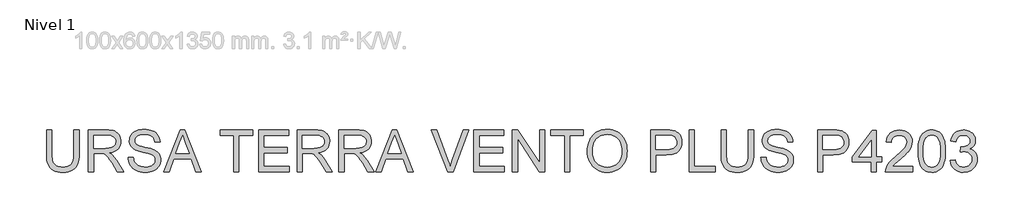
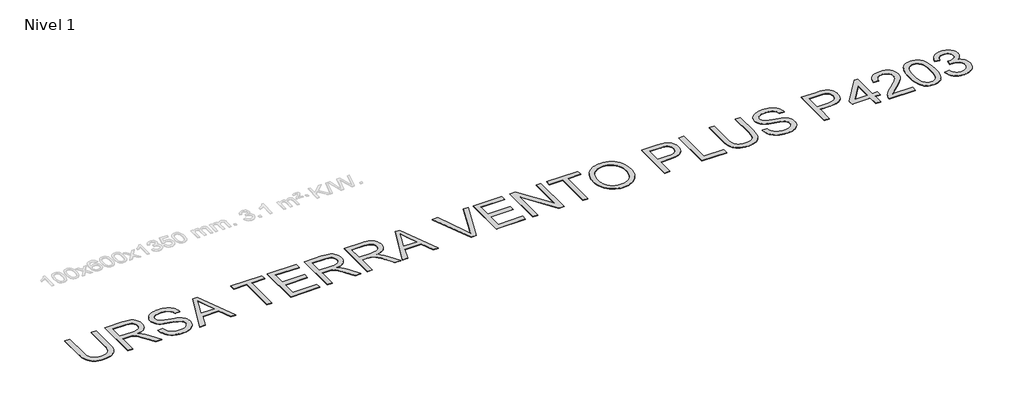
# One storey, part 2 of 9: 1 proxy.
"""IFC4 building model written with IfcOpenShell, lengths in millimetres."""

from ifc_helpers import new_model, si_unit, origin, origin_with_axes, place, context, project, spatial, polyline, outline, extrude, element, save

model = new_model("IFC4")

# Units and contexts
model_context = context("Model", 3, world=origin())
ifc_project = project(units=[si_unit("LENGTHUNIT", "METRE", prefix="MILLI")], contexts=[model_context])

# Site, building, storey
site = spatial("IfcSite", under=ifc_project)
building = spatial("IfcBuilding", under=site)
storey = spatial("IfcBuildingStorey", under=building, Name="Nivel 1", Elevation=0.0)

# Proxy
placement = place(None, origin())
element("IfcBuildingElementProxy", 1, Name="Texto de modelo 2", ObjectType="Texto de modelo 2", at=placement, inside=storey, context=model_context, shape_type="SweptSolid", body=[
    extrude(outline(polyline([(-13163.4352259, -11383.8200288), (-13037.8648382, -11383.8200288), (-13037.8648382, -11963.3567985), (-13039.9954881, -12035.1167802), (-13046.3874377, -12099.0745979), (-13057.0406872, -12155.2302516), (-13071.9552364, -12203.5837414), (-13092.4186724, -12245.9668129), (-13119.7185821, -12284.211212), (-13153.8549656, -12318.3169386), (-13194.8278228, -12348.2839928), (-13242.683139, -12372.694496), (-13297.4668995, -12390.1305698), (-13359.1791041, -12400.592214), (-13427.8197531, -12404.0794288), (-13494.766612, -12401.0444023), (-13555.3215212, -12391.9393229), (-13609.4844808, -12376.7641906), (-13657.2554907, -12355.5190054), (-13698.6422152, -12328.5179998), (-13733.6523184, -12296.0754063), (-13762.2858004, -12258.191225), (-13784.5426611, -12214.8654559), (-13801.2276424, -12164.6112425), (-13813.1454862, -12105.9417285), (-13820.2961925, -12038.8569138), (-13822.6797612, -11963.3567985), (-13822.6797612, -11383.8200288), (-13697.1093735, -11383.8200288), (-13697.1093735, -11958.9422146), (-13695.5612035, -12019.650408), (-13690.9166933, -12071.7900166), (-13683.175843, -12115.3610404), (-13672.3386525, -12150.3634794), (-13657.7306716, -12179.3265223), (-13638.67745, -12204.7793579), (-13615.1789875, -12226.721986), (-13587.2352843, -12245.1544068), (-13555.3828349, -12259.7470593), (-13520.1581339, -12270.1703825), (-13481.5611812, -12276.4243764), (-13439.5919769, -12278.5090411), (-13370.3841766, -12274.385697), (-13311.8756109, -12262.015665), (-13264.06628, -12241.3989448), (-13244.1738275, -12227.9980767), (-13226.9561837, -12212.5355366), (-13212.0684592, -12194.1414368), (-13199.1657647, -12171.9458898), (-13179.3154653, -12116.1504539), (-13167.4052857, -12045.1492288), (-13163.4352259, -11958.9422146), (-13163.4352259, -11383.8200288)])), origin_with_axes(), (0.0, 0.0, 1.0), 10.0),
    extrude(outline(polyline([(-12818.1166597, -12388.3831303), (-12818.1166597, -11383.8200288), (-12385.2421787, -11383.8200288), (-12323.1084426, -11385.5138188), (-12268.8994978, -11390.5951889), (-12222.6153443, -11399.064139), (-12184.255982, -11410.9206691), (-12151.5911266, -11427.0768201), (-12122.3904932, -11448.4446326), (-12096.6540819, -11475.0241068), (-12074.3818928, -11506.8152425), (-12056.4093245, -11542.1089214), (-12043.5717757, -11579.1960251), (-12035.8692465, -11618.0765534), (-12033.3017367, -11658.7505065), (-12037.5553723, -11710.3459564), (-12050.316279, -11757.7107632), (-12071.5844568, -11800.8449272), (-12101.3599058, -11839.7484482), (-12140.0258363, -11873.1797245), (-12187.9654588, -11899.8971544), (-12245.1787733, -11919.9007379), (-12311.6657797, -11933.1904749), (-12270.2790553, -11960.2298016), (-12240.2966726, -11986.9012462), (-12188.854507, -12047.9083438), (-12138.5159873, -12116.1504539), (-11971.0070522, -12388.3831303), (-12116.9335769, -12388.3831303), (-12247.6543126, -12180.161921), (-12299.9548695, -12100.6994101), (-12342.077358, -12042.3288002), (-12377.1794317, -12002.1376922), (-12408.4187444, -11977.213687), (-12438.0025882, -11962.5903777), (-12468.138255, -11953.3013573), (-12540.97889, -11948.8867734), (-12692.5462721, -11948.8867734), (-12692.5462721, -12388.3831303), (-12818.1166597, -12388.3831303)]), holes=[polyline([(-12692.5462721, -11823.3163857), (-12411.4844277, -11823.3163857), (-12330.7649866, -11818.8711449), (-12268.133077, -11805.5354226), (-12242.9484887, -11795.3113688), (-12220.9828679, -11782.4201706), (-12202.2362146, -11766.8618279), (-12186.7085287, -11748.6363407), (-12174.5301018, -11728.6404214), (-12165.8312255, -11707.7707824), (-12160.6118997, -11686.0274236), (-12158.8721244, -11663.4103451), (-12162.1907265, -11631.2973126), (-12172.146533, -11602.1579929), (-12188.7395439, -11575.992386), (-12211.969759, -11552.8004919), (-12242.3736731, -11533.8085839), (-12280.4877806, -11520.2429353), (-12326.3120816, -11512.1035462), (-12379.8465762, -11509.3904165), (-12692.5462721, -11509.3904165), (-12692.5462721, -11823.3163857)])]), origin_with_axes(), (0.0, 0.0, 1.0), 10.0),
    extrude(outline(polyline([(-11860.6424536, -12043.0645642), (-11735.0720659, -12043.0645642), (-11729.3239098, -12079.6151732), (-11720.6633545, -12112.7475454), (-11709.0904, -12142.4616807), (-11694.6050465, -12168.7575792), (-11676.4715298, -12192.1640711), (-11653.954086, -12213.2099869), (-11627.0527151, -12231.8953266), (-11595.7674171, -12248.2200901), (-11561.2478232, -12261.4715062), (-11524.6435647, -12270.9368033), (-11485.9546415, -12276.6159816), (-11445.1810537, -12278.5090411), (-11375.222161, -12272.7762133), (-11343.5076673, -12265.6101786), (-11313.9698088, -12255.57773), (-11287.3366852, -12243.0390854), (-11264.3363963, -12228.3544624), (-11244.9689421, -12211.5238611), (-11229.2343226, -12192.5472815), (-11217.0558957, -12172.2447939), (-11208.3570193, -12151.4364686), (-11203.1376935, -12130.1223055), (-11201.3979183, -12108.3023046), (-11206.6095799, -12066.2717867), (-11222.2445647, -12029.9434397), (-11235.396346, -12013.8256098), (-11254.0050436, -11998.9493816), (-11278.0706574, -11985.3147551), (-11307.5931875, -11972.9217304), (-11373.9039172, -11953.2093868), (-11490.4305391, -11924.9744437), (-11610.4520401, -11893.2446216), (-11654.2529901, -11877.9545262), (-11687.2474066, -11863.0476412), (-11720.7783176, -11843.0440577), (-11749.7566889, -11820.8025254), (-11774.1825206, -11796.3230443), (-11794.0558125, -11769.6056144), (-11809.4532068, -11740.9261472), (-11820.4513457, -11710.5605542), (-11827.0502289, -11678.5088354), (-11829.2498567, -11644.7709907), (-11826.5290628, -11607.3773187), (-11818.366681, -11571.2252485), (-11804.7627114, -11536.31478), (-11785.7171539, -11502.6459132), (-11761.4446065, -11471.5905415), (-11732.1596668, -11444.520558), (-11697.862335, -11421.4359628), (-11658.5526109, -11402.3367559), (-11615.5564028, -11387.3685572), (-11570.1996184, -11376.6769867), (-11522.482258, -11370.2620444), (-11472.4043214, -11368.1237303), (-11417.7738451, -11370.3616791), (-11366.4543068, -11377.0755256), (-11318.4457064, -11388.2652696), (-11273.748044, -11403.9309112), (-11233.189054, -11423.9344947), (-11197.596471, -11448.1380643), (-11166.9702949, -11476.54162), (-11141.3105257, -11509.1451618), (-11120.8164329, -11544.9983279), (-11105.6872859, -11583.1507565), (-11095.9230846, -11623.6024476), (-11091.523829, -11666.3534011), (-11217.0942167, -11666.3534011), (-11225.494189, -11626.2849205), (-11240.1481551, -11591.4281014), (-11261.0561152, -11561.782944), (-11288.2180691, -11537.3494481), (-11322.1398548, -11518.2502412), (-11363.3273098, -11504.6079506), (-11411.7804343, -11496.4225762), (-11467.4992281, -11493.694118), (-11524.9961183, -11496.3919193), (-11574.123693, -11504.4853232), (-11614.8819524, -11517.9743297), (-11647.2708964, -11536.8589388), (-11671.9496469, -11559.5603236), (-11689.5773259, -11584.4996572), (-11700.1539332, -11611.6769396), (-11703.679469, -11641.0921708), (-11701.1809371, -11666.3993864), (-11693.6853415, -11689.3460258), (-11681.1926821, -11709.9320891), (-11663.7029589, -11728.1575763), (-11636.1731229, -11745.4173732), (-11592.8243611, -11762.8611112), (-11533.6566736, -11780.4887901), (-11458.6700602, -11798.30041), (-11320.2238027, -11831.9616126), (-11271.5100952, -11847.1827301), (-11236.4693351, -11861.3308585), (-11197.9720172, -11882.7753132), (-11164.8856302, -11906.8869123), (-11137.2101743, -11933.6656558), (-11114.9456494, -11963.1115439), (-11097.8314724, -11995.0712922), (-11085.6070603, -12029.3916167), (-11078.272413, -12066.0725173), (-11075.8275306, -12105.113994), (-11078.640295, -12144.3930612), (-11087.0785883, -12182.5224972), (-11101.1424104, -12219.5023019), (-11120.8317613, -12255.3324754), (-11145.8017517, -12288.6257959), (-11175.7074923, -12317.9950419), (-11210.5489829, -12343.4402132), (-11250.3262236, -12364.9613099), (-11293.881919, -12382.0754869), (-11340.0587736, -12394.2998991), (-11388.8567874, -12401.6345463), (-11440.2759605, -12404.0794288), (-11504.5096897, -12401.4429411), (-11563.301831, -12393.5334782), (-11616.6523845, -12380.3510401), (-11664.5613502, -12361.8956266), (-11707.3199679, -12338.1365811), (-11745.2194776, -12309.0432467), (-11778.2598793, -12274.6156233), (-11806.441173, -12234.853711), (-11829.1425578, -12191.0450967), (-11845.7432328, -12144.4773675), (-11856.2431981, -12095.1505233), (-11860.6424536, -12043.0645642)])), origin_with_axes(), (0.0, 0.0, 1.0), 10.0),
    extrude(outline(polyline([(-11004.4584235, -12388.3831303), (-10603.4670488, -11383.8200288), (-10496.5360155, -11383.8200288), (-10095.5446408, -12388.3831303), (-10228.2274137, -12388.3831303), (-10343.2518509, -12074.4571611), (-10756.9964681, -12074.4571611), (-10871.7756506, -12388.3831303), (-11004.4584235, -12388.3831303)]), holes=[polyline([(-10710.8885914, -11948.8867734), (-10389.1144729, -11948.8867734), (-10479.6134437, -11701.9153273), (-10550.0015321, -11509.3904165), (-10612.5414713, -11680.3329169), (-10710.8885914, -11948.8867734)])]), origin_with_axes(), (0.0, 0.0, 1.0), 10.0),
    extrude(outline(polyline([(-9317.842103, -12388.3831303), (-9317.842103, -11509.3904165), (-9647.4643706, -11509.3904165), (-9647.4643706, -11383.8200288), (-8862.6494476, -11383.8200288), (-8862.6494476, -11509.3904165), (-9192.2717153, -11509.3904165), (-9192.2717153, -12388.3831303), (-9317.842103, -12388.3831303)])), origin_with_axes(), (0.0, 0.0, 1.0), 10.0),
    extrude(outline(polyline([(-8721.3827615, -12388.3831303), (-8721.3827615, -11383.8200288), (-7999.3530323, -11383.8200288), (-7999.3530323, -11509.3904165), (-8595.8123738, -11509.3904165), (-8595.8123738, -11807.6200872), (-8030.7456292, -11807.6200872), (-8030.7456292, -11933.1904749), (-8595.8123738, -11933.1904749), (-8595.8123738, -12262.8127426), (-7983.6567338, -12262.8127426), (-7983.6567338, -12388.3831303), (-8721.3827615, -12388.3831303)])), origin_with_axes(), (0.0, 0.0, 1.0), 10.0),
    extrude(outline(polyline([(-7795.3011523, -12388.3831303), (-7795.3011523, -11383.8200288), (-7362.4266713, -11383.8200288), (-7300.2929351, -11385.5138188), (-7246.0839903, -11390.5951889), (-7199.7998368, -11399.064139), (-7161.4404746, -11410.9206691), (-7128.7756191, -11427.0768201), (-7099.5749857, -11448.4446326), (-7073.8385745, -11475.0241068), (-7051.5663853, -11506.8152425), (-7033.593817, -11542.1089214), (-7020.7562682, -11579.1960251), (-7013.053739, -11618.0765534), (-7010.4862292, -11658.7505065), (-7014.7398648, -11710.3459564), (-7027.5007715, -11757.7107632), (-7048.7689493, -11800.8449272), (-7078.5443983, -11839.7484482), (-7117.2103289, -11873.1797245), (-7165.1499514, -11899.8971544), (-7222.3632658, -11919.9007379), (-7288.8502722, -11933.1904749), (-7247.4635478, -11960.2298016), (-7217.4811652, -11986.9012462), (-7166.0389995, -12047.9083438), (-7115.7004798, -12116.1504539), (-6948.1915447, -12388.3831303), (-7094.1180695, -12388.3831303), (-7224.8388051, -12180.161921), (-7277.1393621, -12100.6994101), (-7319.2618505, -12042.3288002), (-7354.3639242, -12002.1376922), (-7385.603237, -11977.213687), (-7415.1870807, -11962.5903777), (-7445.3227475, -11953.3013573), (-7518.1633826, -11948.8867734), (-7669.7307646, -11948.8867734), (-7669.7307646, -12388.3831303), (-7795.3011523, -12388.3831303)]), holes=[polyline([(-7669.7307646, -11823.3163857), (-7388.6689203, -11823.3163857), (-7307.9494791, -11818.8711449), (-7245.3175695, -11805.5354226), (-7220.1329812, -11795.3113688), (-7198.1673604, -11782.4201706), (-7179.4207071, -11766.8618279), (-7163.8930212, -11748.6363407), (-7151.7145943, -11728.6404214), (-7143.015718, -11707.7707824), (-7137.7963922, -11686.0274236), (-7136.0566169, -11663.4103451), (-7139.3752191, -11631.2973126), (-7149.3310256, -11602.1579929), (-7165.9240364, -11575.992386), (-7189.1542515, -11552.8004919), (-7219.5581656, -11533.8085839), (-7257.6722731, -11520.2429353), (-7303.4965742, -11512.1035462), (-7357.0310687, -11509.3904165), (-7669.7307646, -11509.3904165), (-7669.7307646, -11823.3163857)])]), origin_with_axes(), (0.0, 0.0, 1.0), 10.0),
    extrude(outline(polyline([(-6790.7380508, -12388.3831303), (-6790.7380508, -11383.8200288), (-6357.8635698, -11383.8200288), (-6295.7298336, -11385.5138188), (-6241.5208888, -11390.5951889), (-6195.2367353, -11399.064139), (-6156.8773731, -11410.9206691), (-6124.2125176, -11427.0768201), (-6095.0118842, -11448.4446326), (-6069.275473, -11475.0241068), (-6047.0032838, -11506.8152425), (-6029.0307155, -11542.1089214), (-6016.1931668, -11579.1960251), (-6008.4906375, -11618.0765534), (-6005.9231277, -11658.7505065), (-6010.1767633, -11710.3459564), (-6022.93767, -11757.7107632), (-6044.2058478, -11800.8449272), (-6073.9812968, -11839.7484482), (-6112.6472274, -11873.1797245), (-6160.5868499, -11899.8971544), (-6217.8001643, -11919.9007379), (-6284.2871707, -11933.1904749), (-6242.9004463, -11960.2298016), (-6212.9180637, -11986.9012462), (-6161.475898, -12047.9083438), (-6111.1373783, -12116.1504539), (-5943.6284432, -12388.3831303), (-6089.554968, -12388.3831303), (-6220.2757036, -12180.161921), (-6272.5762606, -12100.6994101), (-6314.698749, -12042.3288002), (-6349.8008227, -12002.1376922), (-6381.0401355, -11977.213687), (-6410.6239792, -11962.5903777), (-6440.759646, -11953.3013573), (-6513.6002811, -11948.8867734), (-6665.1676631, -11948.8867734), (-6665.1676631, -12388.3831303), (-6790.7380508, -12388.3831303)]), holes=[polyline([(-6665.1676631, -11823.3163857), (-6384.1058188, -11823.3163857), (-6303.3863777, -11818.8711449), (-6240.754468, -11805.5354226), (-6215.5698797, -11795.3113688), (-6193.6042589, -11782.4201706), (-6174.8576056, -11766.8618279), (-6159.3299197, -11748.6363407), (-6147.1514928, -11728.6404214), (-6138.4526165, -11707.7707824), (-6133.2332907, -11686.0274236), (-6131.4935154, -11663.4103451), (-6134.8121176, -11631.2973126), (-6144.7679241, -11602.1579929), (-6161.3609349, -11575.992386), (-6184.59115, -11552.8004919), (-6214.9950641, -11533.8085839), (-6253.1091716, -11520.2429353), (-6298.9334727, -11512.1035462), (-6352.4679672, -11509.3904165), (-6665.1676631, -11509.3904165), (-6665.1676631, -11823.3163857)])]), origin_with_axes(), (0.0, 0.0, 1.0), 10.0),
    extrude(outline(polyline([(-5903.1614237, -12388.3831303), (-5502.170049, -11383.8200288), (-5395.2390157, -11383.8200288), (-4994.247641, -12388.3831303), (-5126.9304139, -12388.3831303), (-5241.9548511, -12074.4571611), (-5655.6994683, -12074.4571611), (-5770.4786508, -12388.3831303), (-5903.1614237, -12388.3831303)]), holes=[polyline([(-5609.5915916, -11948.8867734), (-5287.8174731, -11948.8867734), (-5378.3164439, -11701.9153273), (-5448.7045324, -11509.3904165), (-5511.2444715, -11680.3329169), (-5609.5915916, -11948.8867734)])]), origin_with_axes(), (0.0, 0.0, 1.0), 10.0),
    extrude(outline(polyline([(-4170.9277358, -12388.3831303), (-4570.6928372, -11383.8200288), (-4436.2932816, -11383.8200288), (-4168.7204438, -12107.5665406), (-4138.9833159, -12191.8728312), (-4114.5191632, -12270.6608918), (-4089.6258148, -12189.0524026), (-4061.0536466, -12107.5665406), (-3792.7450447, -11383.8200288), (-3658.3454892, -11383.8200288), (-4041.1880188, -12388.3831303), (-4170.9277358, -12388.3831303)])), origin_with_axes(), (0.0, 0.0, 1.0), 10.0),
    extrude(outline(polyline([(-3541.6042694, -12388.3831303), (-3541.6042694, -11383.8200288), (-2819.5745402, -11383.8200288), (-2819.5745402, -11509.3904165), (-3416.0338817, -11509.3904165), (-3416.0338817, -11807.6200872), (-2850.9671371, -11807.6200872), (-2850.9671371, -11933.1904749), (-3416.0338817, -11933.1904749), (-3416.0338817, -12262.8127426), (-2803.8782417, -12262.8127426), (-2803.8782417, -12388.3831303), (-3541.6042694, -12388.3831303)])), origin_with_axes(), (0.0, 0.0, 1.0), 10.0),
    extrude(outline(polyline([(-2615.5226602, -12388.3831303), (-2615.5226602, -11383.8200288), (-2481.1231046, -11383.8200288), (-1956.2781248, -12179.6714117), (-1956.2781248, -11383.8200288), (-1830.7077371, -11383.8200288), (-1830.7077371, -12388.3831303), (-1965.1072927, -12388.3831303), (-2489.9522725, -11592.2864927), (-2489.9522725, -12388.3831303), (-2615.5226602, -12388.3831303)])), origin_with_axes(), (0.0, 0.0, 1.0), 10.0),
    extrude(outline(polyline([(-1359.8187833, -12388.3831303), (-1359.8187833, -11509.3904165), (-1689.441051, -11509.3904165), (-1689.441051, -11383.8200288), (-904.6261279, -11383.8200288), (-904.6261279, -11509.3904165), (-1234.2483956, -11509.3904165), (-1234.2483956, -12388.3831303), (-1359.8187833, -12388.3831303)])), origin_with_axes(), (0.0, 0.0, 1.0), 10.0),
    extrude(outline(polyline([(-810.4483372, -11899.3453314), (-808.3560083, -11838.7406048), (-802.0790218, -11781.515794), (-791.6173775, -11727.6708991), (-776.9710756, -11677.20592), (-758.140116, -11630.1208567), (-735.1244987, -11586.4157092), (-707.9242236, -11546.0904776), (-676.5392909, -11509.1451618), (-641.8472524, -11476.0932638), (-604.7256598, -11447.4482856), (-565.1745132, -11423.210227), (-523.1938126, -11403.3790882), (-478.783558, -11387.9548691), (-431.9437494, -11376.9375698), (-382.6743868, -11370.3271902), (-330.9754701, -11368.1237303), (-263.3924819, -11372.2624028), (-199.2124022, -11384.6784201), (-138.4352309, -11405.3717824), (-81.0609681, -11434.3424895), (-28.6990974, -11470.7168217), (17.0408973, -11513.6210594), (56.1590161, -11563.0552025), (88.655259, -11619.0192511), (114.1924009, -11680.2409464), (132.4332165, -11745.4480301), (143.3777058, -11814.640502), (147.0258689, -11887.8183622), (143.1861006, -11961.9619126), (131.6667956, -12032.089418), (112.467954, -12098.2008782), (85.5895757, -12160.2962933), (51.6677901, -12216.7355227), (11.3387264, -12265.8784259), (-35.3976154, -12307.7250029), (-88.5412353, -12342.2752536), (-145.9998044, -12369.3145802), (-205.6809939, -12388.628385), (-267.5848038, -12400.2166678), (-331.7112341, -12404.0794288), (-400.4745104, -12399.8104648), (-465.497653, -12387.0035728), (-526.7806621, -12365.6587529), (-584.3235375, -12335.776005), (-636.6240944, -12298.5126246), (-682.1801482, -12255.025907), (-720.9916987, -12205.3158525), (-753.0587459, -12149.3824608), (-778.1666921, -12089.471345), (-796.1009394, -12027.8281182), (-806.8614877, -11964.4527803), (-810.4483372, -11899.3453314)]), holes=[polyline([(-684.8779495, -11900.5716047), (-683.3087028, -11943.3647114), (-678.6009629, -11983.8202345), (-670.7547298, -12021.9381742), (-659.7700033, -12057.7185303), (-645.6467836, -12091.1613029), (-628.3850706, -12122.266492), (-607.9848643, -12151.0340976), (-584.4461648, -12177.4641197), (-558.5392249, -12201.1465232), (-531.0342976, -12221.6712728), (-501.9313829, -12239.0383687), (-471.2304808, -12253.2478107), (-438.9315912, -12264.299599), (-405.0347143, -12272.1937335), (-369.5398499, -12276.9302142), (-332.4469981, -12278.5090411), (-294.6758639, -12276.9148858), (-258.6176802, -12272.1324198), (-224.2724471, -12264.1616433), (-191.6401644, -12253.0025561), (-160.7208324, -12238.6551583), (-131.5144509, -12221.1194498), (-104.0210199, -12200.3954308), (-78.2405394, -12176.4831011), (-54.8742846, -12149.6392117), (-34.6235304, -12120.1205137), (-17.4882768, -12087.9270071), (-3.4685239, -12053.0586917), (7.4357283, -12015.5155677), (15.22448, -11975.297635), (19.8977309, -11932.4048936), (21.4554813, -11886.8373435), (18.7883368, -11829.3711102), (10.7869034, -11775.6756673), (-2.5488189, -11725.7510149), (-21.2188302, -11679.5971529), (-45.0161967, -11637.8195538), (-73.733985, -11601.0236901), (-107.3721949, -11569.2095617), (-145.9308265, -11542.3771687), (-188.2142634, -11521.078334), (-233.0268889, -11505.8648807), (-280.3687032, -11496.7368087), (-330.2397061, -11493.694118), (-400.3058978, -11499.5572373), (-465.313712, -11517.1465952), (-495.9207276, -11530.3386136), (-525.2631488, -11546.4621917), (-580.1542082, -11587.5040268), (-604.6988351, -11612.9166252), (-625.970845, -11642.2494662), (-643.970238, -11675.5025497), (-658.6970142, -11712.6758757), (-670.1511734, -11753.7694442), (-678.3327157, -11798.7832552), (-683.241641, -11847.7173087), (-684.8779495, -11900.5716047)])]), origin_with_axes(), (0.0, 0.0, 1.0), 10.0),
    extrude(outline(polyline([(712.0926135, -12388.3831303), (712.0926135, -11383.8200288), (1084.3891927, -11383.8200288), (1171.0867162, -11386.2112618), (1234.4850467, -11393.3849607), (1269.426172, -11400.9188774), (1301.408913, -11411.2578943), (1330.4332696, -11424.4020114), (1356.4992418, -11440.3512287), (1379.8827411, -11459.4351072), (1400.859679, -11481.9832079), (1419.4300556, -11507.9955306), (1435.5938707, -11537.4720755), (1448.6843384, -11569.439488), (1458.0346724, -11602.9244138), (1463.6448728, -11637.9268528), (1465.5149397, -11674.446805), (1460.4642264, -11736.1130244), (1445.3120868, -11792.8434938), (1420.0585206, -11844.638213), (1384.7035281, -11891.4971821), (1362.4677439, -11912.3055075), (1336.1660973, -11930.3393895), (1305.7985882, -11945.5988281), (1271.3652167, -11958.0838233), (1232.8659827, -11967.7943751), (1190.3008862, -11974.7304836), (1092.9731059, -11980.2793703), (837.6630012, -11980.2793703), (837.6630012, -12388.3831303), (712.0926135, -12388.3831303)]), holes=[polyline([(837.6630012, -11854.7089826), (1100.3307458, -11854.7089826), (1160.7247067, -11851.8272403), (1211.676363, -11843.1820134), (1253.1857148, -11828.773302), (1285.252762, -11808.6011059), (1309.1804201, -11783.2019198), (1326.2716045, -11753.1122383), (1336.5263151, -11718.3320613), (1339.944552, -11678.8613889), (1337.9288652, -11649.5534567), (1331.8818049, -11622.4528163), (1321.8033711, -11597.559468), (1307.6935637, -11574.8734116), (1290.3034752, -11555.1304112), (1270.384198, -11539.0662308), (1247.9357321, -11526.6808703), (1222.9580775, -11517.9743297), (1174.5202815, -11511.5363948), (1097.3876898, -11509.3904165), (837.6630012, -11509.3904165), (837.6630012, -11854.7089826)])]), origin_with_axes(), (0.0, 0.0, 1.0), 10.0),
    extrude(outline(polyline([(1638.1742227, -12388.3831303), (1638.1742227, -11383.8200288), (1763.7446104, -11383.8200288), (1763.7446104, -12262.8127426), (2266.0261612, -12262.8127426), (2266.0261612, -12388.3831303), (1638.1742227, -12388.3831303)])), origin_with_axes(), (0.0, 0.0, 1.0), 10.0),
    extrude(outline(polyline([(3066.5373827, -11383.8200288), (3192.1077704, -11383.8200288), (3192.1077704, -11963.3567985), (3189.9771205, -12035.1167802), (3183.5851708, -12099.0745979), (3172.9319214, -12155.2302516), (3158.0173721, -12203.5837414), (3137.5539362, -12245.9668129), (3110.2540264, -12284.211212), (3076.117643, -12318.3169386), (3035.1447857, -12348.2839928), (2987.2894695, -12372.694496), (2932.5057091, -12390.1305698), (2870.7935044, -12400.592214), (2802.1528555, -12404.0794288), (2735.2059966, -12401.0444023), (2674.6510873, -12391.9393229), (2620.4881277, -12376.7641906), (2572.7171178, -12355.5190054), (2531.3303934, -12328.5179998), (2496.3202901, -12296.0754063), (2467.6868082, -12258.191225), (2445.4299475, -12214.8654559), (2428.7449662, -12164.6112425), (2416.8271224, -12105.9417285), (2409.6764161, -12038.8569138), (2407.2928473, -11963.3567985), (2407.2928473, -11383.8200288), (2532.863235, -11383.8200288), (2532.863235, -11958.9422146), (2534.4114051, -12019.650408), (2539.0559152, -12071.7900166), (2546.7967656, -12115.3610404), (2557.633956, -12150.3634794), (2572.2419369, -12179.3265223), (2591.2951586, -12204.7793579), (2614.793621, -12226.721986), (2642.7373242, -12245.1544068), (2674.5897736, -12259.7470593), (2709.8144747, -12270.1703825), (2748.4114273, -12276.4243764), (2790.3806316, -12278.5090411), (2859.588432, -12274.385697), (2918.0969976, -12262.015665), (2965.9063286, -12241.3989448), (2985.798781, -12227.9980767), (3003.0164248, -12212.5355366), (3017.9041493, -12194.1414368), (3030.8068439, -12171.9458898), (3050.6571432, -12116.1504539), (3062.5673228, -12045.1492288), (3066.5373827, -11958.9422146), (3066.5373827, -11383.8200288)])), origin_with_axes(), (0.0, 0.0, 1.0), 10.0),
    extrude(outline(polyline([(3364.7670534, -12043.0645642), (3490.3374411, -12043.0645642), (3496.0855973, -12079.6151732), (3504.7461526, -12112.7475454), (3516.319107, -12142.4616807), (3530.8044606, -12168.7575792), (3548.9379773, -12192.1640711), (3571.455421, -12213.2099869), (3598.3567919, -12231.8953266), (3629.64209, -12248.2200901), (3664.1616838, -12261.4715062), (3700.7659424, -12270.9368033), (3739.4548655, -12276.6159816), (3780.2284533, -12278.5090411), (3850.1873461, -12272.7762133), (3881.9018397, -12265.6101786), (3911.4396983, -12255.57773), (3938.0728219, -12243.0390854), (3961.0731108, -12228.3544624), (3980.440565, -12211.5238611), (3996.1751845, -12192.5472815), (4008.3536114, -12172.2447939), (4017.0524877, -12151.4364686), (4022.2718135, -12130.1223055), (4024.0115888, -12108.3023046), (4018.7999272, -12066.2717867), (4003.1649424, -12029.9434397), (3990.0131611, -12013.8256098), (3971.4044635, -11998.9493816), (3947.3388496, -11985.3147551), (3917.8163195, -11972.9217304), (3851.5055899, -11953.2093868), (3734.9789679, -11924.9744437), (3614.957467, -11893.2446216), (3571.1565169, -11877.9545262), (3538.1621005, -11863.0476412), (3504.6311895, -11843.0440577), (3475.6528181, -11820.8025254), (3451.2269865, -11796.3230443), (3431.3536946, -11769.6056144), (3415.9563002, -11740.9261472), (3404.9581614, -11710.5605542), (3398.3592781, -11678.5088354), (3396.1596503, -11644.7709907), (3398.8804443, -11607.3773187), (3407.042826, -11571.2252485), (3420.6467956, -11536.31478), (3439.6923531, -11502.6459132), (3463.9649006, -11471.5905415), (3493.2498402, -11444.520558), (3527.5471721, -11421.4359628), (3566.8568961, -11402.3367559), (3609.8531043, -11387.3685572), (3655.2098886, -11376.6769867), (3702.9272491, -11370.2620444), (3753.0051857, -11368.1237303), (3807.635662, -11370.3616791), (3858.9552003, -11377.0755256), (3906.9638006, -11388.2652696), (3951.6614631, -11403.9309112), (3992.220453, -11423.9344947), (4027.8130361, -11448.1380643), (4058.4392122, -11476.54162), (4084.0989813, -11509.1451618), (4104.5930741, -11544.9983279), (4119.7222212, -11583.1507565), (4129.4864225, -11623.6024476), (4133.885678, -11666.3534011), (4008.3152903, -11666.3534011), (3999.9153181, -11626.2849205), (3985.261352, -11591.4281014), (3964.3533919, -11561.782944), (3937.1914379, -11537.3494481), (3903.2696523, -11518.2502412), (3862.0821972, -11504.6079506), (3813.6290728, -11496.4225762), (3757.9102789, -11493.694118), (3700.4133888, -11496.3919193), (3651.285814, -11504.4853232), (3610.5275546, -11517.9743297), (3578.1386106, -11536.8589388), (3553.4598601, -11559.5603236), (3535.8321812, -11584.4996572), (3525.2555738, -11611.6769396), (3521.730038, -11641.0921708), (3524.2285699, -11666.3993864), (3531.7241656, -11689.3460258), (3544.216825, -11709.9320891), (3561.7065482, -11728.1575763), (3589.2363841, -11745.4173732), (3632.5851459, -11762.8611112), (3691.7528335, -11780.4887901), (3766.7394468, -11798.30041), (3905.1857043, -11831.9616126), (3953.8994119, -11847.1827301), (3988.9401719, -11861.3308585), (4027.4374899, -11882.7753132), (4060.5238768, -11906.8869123), (4088.1993327, -11933.6656558), (4110.4638576, -11963.1115439), (4127.5780346, -11995.0712922), (4139.8024468, -12029.3916167), (4147.137094, -12066.0725173), (4149.5819765, -12105.113994), (4146.769212, -12144.3930612), (4138.3309188, -12182.5224972), (4124.2670967, -12219.5023019), (4104.5777457, -12255.3324754), (4079.6077553, -12288.6257959), (4049.7020148, -12317.9950419), (4014.8605242, -12343.4402132), (3975.0832834, -12364.9613099), (3931.527588, -12382.0754869), (3885.3507334, -12394.2998991), (3836.5527196, -12401.6345463), (3785.1335466, -12404.0794288), (3720.8998174, -12401.4429411), (3662.107676, -12393.5334782), (3608.7571225, -12380.3510401), (3560.8481569, -12361.8956266), (3518.0895391, -12338.1365811), (3480.1900294, -12309.0432467), (3447.1496277, -12274.6156233), (3418.968334, -12234.853711), (3396.2669493, -12191.0450967), (3379.6662742, -12144.4773675), (3369.1663089, -12095.1505233), (3364.7670534, -12043.0645642)])), origin_with_axes(), (0.0, 0.0, 1.0), 10.0),
    extrude(outline(polyline([(4730.3450195, -12388.3831303), (4730.3450195, -11383.8200288), (5102.6415986, -11383.8200288), (5189.3391222, -11386.2112618), (5252.7374527, -11393.3849607), (5287.678578, -11400.9188774), (5319.661319, -11411.2578943), (5348.6856755, -11424.4020114), (5374.7516477, -11440.3512287), (5398.1351471, -11459.4351072), (5419.112085, -11481.9832079), (5437.6824615, -11507.9955306), (5453.8462767, -11537.4720755), (5466.9367444, -11569.439488), (5476.2870784, -11602.9244138), (5481.8972788, -11637.9268528), (5483.7673456, -11674.446805), (5478.7166324, -11736.1130244), (5463.5644927, -11792.8434938), (5438.3109266, -11844.638213), (5402.955934, -11891.4971821), (5380.7201499, -11912.3055075), (5354.4185033, -11930.3393895), (5324.0509942, -11945.5988281), (5289.6176227, -11958.0838233), (5251.1183887, -11967.7943751), (5208.5532922, -11974.7304836), (5111.2255119, -11980.2793703), (4855.9154072, -11980.2793703), (4855.9154072, -12388.3831303), (4730.3450195, -12388.3831303)]), holes=[polyline([(4855.9154072, -11854.7089826), (5118.5831518, -11854.7089826), (5178.9771126, -11851.8272403), (5229.928769, -11843.1820134), (5271.4381208, -11828.773302), (5303.505168, -11808.6011059), (5327.4328261, -11783.2019198), (5344.5240105, -11753.1122383), (5354.7787211, -11718.3320613), (5358.196958, -11678.8613889), (5356.1812712, -11649.5534567), (5350.1342109, -11622.4528163), (5340.0557771, -11597.559468), (5325.9459697, -11574.8734116), (5308.5558812, -11555.1304112), (5288.636604, -11539.0662308), (5266.1881381, -11526.6808703), (5241.2104835, -11517.9743297), (5192.7726875, -11511.5363948), (5115.6400958, -11509.3904165), (4855.9154072, -11509.3904165), (4855.9154072, -11854.7089826)])]), origin_with_axes(), (0.0, 0.0, 1.0), 10.0),
    extrude(outline(polyline([(6017.4414933, -12388.3831303), (6017.4414933, -12152.9386534), (5562.2488379, -12152.9386534), (5562.2488379, -12027.3682657), (6048.8340902, -11399.5163273), (6143.011881, -11399.5163273), (6143.011881, -12027.3682657), (6268.5822687, -12027.3682657), (6268.5822687, -12152.9386534), (6143.011881, -12152.9386534), (6143.011881, -12388.3831303), (6017.4414933, -12388.3831303)]), holes=[polyline([(6017.4414933, -12027.3682657), (6017.4414933, -11639.3753881), (5716.7592759, -12027.3682657), (6017.4414933, -12027.3682657)])]), origin_with_axes(), (0.0, 0.0, 1.0), 10.0),
    extrude(outline(polyline([(7022.0045948, -12262.8127426), (7022.0045948, -12388.3831303), (6362.7600595, -12388.3831303), (6365.5191744, -12344.1759772), (6376.2490659, -12301.8082341), (6389.9373418, -12267.7255001), (6407.2124672, -12234.1486038), (6428.074442, -12201.0775453), (6452.5232663, -12168.5123245), (6482.030468, -12135.1806829), (6518.0675751, -12099.8103619), (6609.7315055, -12022.9536818), (6745.2347071, -11902.5949557), (6792.6608276, -11854.2338017), (6826.536628, -11813.7514538), (6850.2496883, -11777.4537636), (6867.1875885, -11741.6465828), (6877.3503286, -11706.3299112), (6880.7379087, -11671.503749), (6877.5419338, -11638.7392588), (6867.9540093, -11608.6265847), (6851.9741352, -11581.1657266), (6829.6023113, -11556.3566845), (6802.0801396, -11535.8089423), (6770.6492216, -11521.1319835), (6735.3095574, -11512.3258082), (6696.0611471, -11509.3904165), (6654.7127437, -11512.2568304), (6617.7329389, -11520.856072), (6585.1217329, -11535.1881414), (6556.8791256, -11555.2530386), (6534.0321208, -11580.3763131), (6517.6077226, -11609.8835148), (6507.6059308, -11643.7746436), (6504.0267456, -11682.0496996), (6378.4563579, -11666.3534011), (6389.2552273, -11601.5295279), (6408.898593, -11544.891029), (6437.386455, -11496.4379046), (6474.7188133, -11456.1701545), (6520.0372766, -11424.5169745), (6572.4834535, -11401.9075602), (6632.0573441, -11388.3419117), (6698.7589484, -11383.8200288), (6766.0583609, -11388.8477494), (6825.9541482, -11403.9309112), (6878.4463104, -11429.0695142), (6923.5348474, -11464.2635584), (6959.7482313, -11506.907213), (6985.6149341, -11554.3946472), (7001.1349558, -11606.725861), (7006.3082963, -11663.9008545), (7000.7287528, -11723.9575902), (6983.990122, -11782.9719936), (6954.2836509, -11842.9980725), (6909.8005863, -11906.0898346), (6879.1054323, -11941.0769452), (6838.8913317, -11981.4136731), (6729.9062906, -12078.135981), (6585.4512939, -12198.9239028), (6554.1200106, -12230.7763522), (6528.7974666, -12262.8127426), (7022.0045948, -12262.8127426)])), origin_with_axes(), (0.0, 0.0, 1.0), 10.0),
    extrude(outline(polyline([(7147.5749825, -11894.1949834), (7149.8819092, -11809.7277445), (7156.8026892, -11733.3998947), (7168.3373226, -11665.2114341), (7184.4858093, -11605.1623626), (7205.1791716, -11552.7621709), (7230.3484314, -11507.5203497), (7259.9935889, -11469.436899), (7294.1146439, -11438.5118188), (7332.8265597, -11414.5841607), (7376.2442993, -11397.4929763), (7424.3678628, -11387.2382657), (7477.1972502, -11383.8200288), (7516.8978488, -11385.8433798), (7554.5750965, -11391.9134327), (7590.2289932, -11402.0301876), (7623.8595389, -11416.1936444), (7654.6543276, -11434.1662127), (7681.8009532, -11455.710302), (7705.2994156, -11480.8259124), (7725.1497149, -11509.5130438), (7757.8912125, -11577.1420173), (7784.0108342, -11658.1373699), (7793.9896333, -11705.770424), (7801.1173469, -11760.9910444), (7806.8195179, -11894.1949834), (7804.5355838, -11978.1257278), (7797.6837816, -12054.0703672), (7786.2641114, -12122.0289016), (7770.276573, -12182.001331), (7749.7441591, -12234.4245153), (7724.6898624, -12279.7353144), (7695.1136829, -12317.9337282), (7661.0156204, -12349.0197568), (7622.2577194, -12373.1083633), (7578.702024, -12390.3145108), (7530.3485343, -12400.6381993), (7477.1972502, -12404.0794288), (7408.0354351, -12398.1013463), (7376.3975835, -12390.6287433), (7346.7217692, -12380.1670991), (7319.0079922, -12366.7164136), (7293.2562526, -12350.276687), (7269.4665502, -12330.8479191), (7247.6388852, -12308.43011), (7224.186408, -12272.9333296), (7203.8609278, -12232.7843748), (7186.6624445, -12187.9832455), (7172.5909582, -12138.5299419), (7161.6464688, -12084.4244639), (7153.8289764, -12025.6668115), (7149.138481, -11962.2569847), (7147.5749825, -11894.1949834)]), holes=[polyline([(7273.1453702, -11893.9497288), (7276.8241901, -12003.1110466), (7287.86065, -12091.4717034), (7306.2547497, -12159.0316989), (7318.2109146, -12185.0114488), (7332.0064894, -12205.7910334), (7363.1538317, -12237.6051617), (7397.7347392, -12260.3295391), (7435.7492121, -12273.9641656), (7477.1972502, -12278.5090411), (7518.6452883, -12273.9488372), (7556.6597611, -12260.2682255), (7591.2406687, -12237.467206), (7622.3880109, -12205.5457787), (7636.1835858, -12184.7163768), (7648.1397506, -12158.7098022), (7666.5338504, -12091.165135), (7677.5703102, -12002.9117772), (7681.2491302, -11893.9497288), (7677.6929375, -11787.6778174), (7667.0243597, -11700.872995), (7649.2433966, -11633.5352614), (7637.6857706, -11607.166553), (7624.3500482, -11585.6646168), (7593.7238721, -11552.2946542), (7558.7444258, -11528.4589666), (7519.4117091, -11514.157554), (7475.7257222, -11509.3904165), (7434.4922819, -11513.5904026), (7397.1216026, -11526.1903609), (7363.6136842, -11547.1902915), (7333.9685267, -11576.5901943), (7319.7130994, -11600.3798966), (7307.3583957, -11628.7068103), (7288.3511593, -11698.9722713), (7276.9468175, -11787.3865775), (7273.1453702, -11893.9497288)])]), origin_with_axes(), (0.0, 0.0, 1.0), 10.0),
    extrude(outline(polyline([(7916.6936071, -12121.5460565), (8042.2639948, -12105.849758), (8054.6876763, -12148.508741), (8070.3763106, -12184.760446), (8089.3298975, -12214.6048728), (8111.5484372, -12238.0420216), (8137.5377673, -12255.7463426), (8167.8037256, -12268.3922862), (8202.3463121, -12275.9798524), (8241.1655268, -12278.5090411), (8286.6602669, -12275.0294905), (8327.2499137, -12264.5908389), (8362.9344672, -12247.1930862), (8393.7139275, -12222.8362325), (8418.4999769, -12193.3443592), (8436.2042979, -12160.541548), (8446.8268905, -12124.4277988), (8450.3677547, -12085.0031116), (8446.8575474, -12047.4561555), (8436.3269253, -12013.2967794), (8418.7758884, -11982.5249833), (8394.2044368, -11955.1407673), (8364.2220542, -11932.6616446), (8330.4382243, -11916.6051283), (8292.8529471, -11906.9712186), (8251.4662227, -11903.7599153), (8211.7962809, -11907.1934806), (8163.4197985, -11917.4941765), (8177.3993143, -11791.9237888), (8197.5101967, -11793.3953168), (8236.1224778, -11791.1420395), (8272.7420647, -11784.3822079), (8307.3689575, -11773.1158218), (8340.0031562, -11757.3428812), (8367.6862763, -11736.8947737), (8387.4599336, -11711.6028865), (8399.3241279, -11681.4672197), (8403.2788594, -11646.4877734), (8400.4124455, -11618.0918819), (8391.8132038, -11592.2558359), (8377.4811345, -11568.9796355), (8357.4162373, -11548.2632806), (8332.8294573, -11531.2564026), (8304.9317393, -11519.1086325), (8273.7230834, -11511.8199705), (8239.2034895, -11509.3904165), (8204.7758661, -11511.8429631), (8173.3526124, -11519.200603), (8144.9337283, -11531.4633362), (8119.5192138, -11548.6311626), (8097.737534, -11570.7040824), (8080.2171539, -11597.6820953), (8066.9580737, -11629.5652016), (8057.9602932, -11666.3534011), (7932.3899055, -11650.6571026), (7947.2737979, -11590.7076658), (7969.3620461, -11537.9012711), (7998.6546499, -11492.2379185), (8035.1516095, -11453.7176079), (8077.7032936, -11423.137417), (8125.160071, -11401.2944236), (8177.5219417, -11388.1886275), (8234.7889056, -11383.8200288), (8275.0643198, -11385.9736713), (8313.7302504, -11392.4345989), (8350.7866972, -11403.2028114), (8386.2336603, -11418.278309), (8418.8372021, -11437.086276), (8447.3633851, -11459.0518968), (8471.8122094, -11484.1751714), (8492.1836749, -11512.4560998), (8508.2248627, -11542.7680433), (8519.682854, -11573.9843635), (8526.5576488, -11606.1050602), (8528.8492471, -11639.1301335), (8526.6726119, -11670.1855052), (8520.1427065, -11699.8306627), (8509.2595308, -11728.0656058), (8494.0230848, -11754.8903346), (8474.5253391, -11779.676384), (8450.8582641, -11801.795289), (8423.0218598, -11821.2470495), (8391.0161262, -11838.0316655), (8432.8627031, -11851.1221332), (8469.6202458, -11869.7921444), (8501.2887542, -11894.0416993), (8527.8682284, -11923.8707977), (8548.8988158, -11958.5436758), (8563.9206639, -11997.3245694), (8572.9337728, -12040.2134787), (8575.9381424, -12087.2104036), (8569.9294032, -12150.9153024), (8562.4184791, -12180.8823566), (8551.9031854, -12209.5924806), (8538.3835221, -12237.0456745), (8521.8594891, -12263.2419383), (8479.7983144, -12311.8636753), (8454.9701118, -12333.4767425), (8428.5554181, -12352.2080674), (8400.5542333, -12368.0576501), (8370.9665575, -12381.0254904), (8339.7923905, -12391.1115884), (8307.0317324, -12398.3159442), (8236.7509429, -12404.0794288), (8173.229985, -12399.1590071), (8115.3498845, -12384.397742), (8063.1106412, -12359.7956336), (8016.5122551, -12325.3526818), (7977.4401215, -12283.0922376), (7947.7796357, -12235.037652), (7927.5307975, -12181.1889249), (7916.6936071, -12121.5460565)])), origin_with_axes(), (0.0, 0.0, 1.0), 10.0),
])

save(model, "model.ifc")
